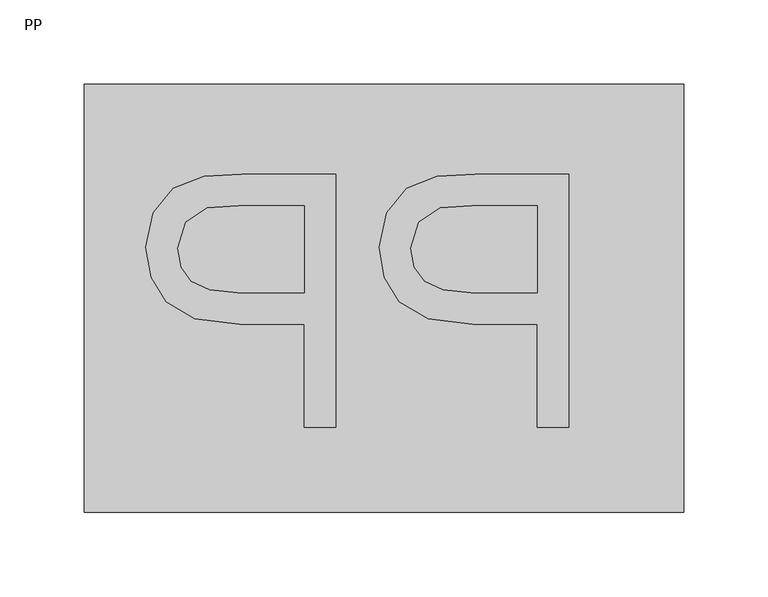
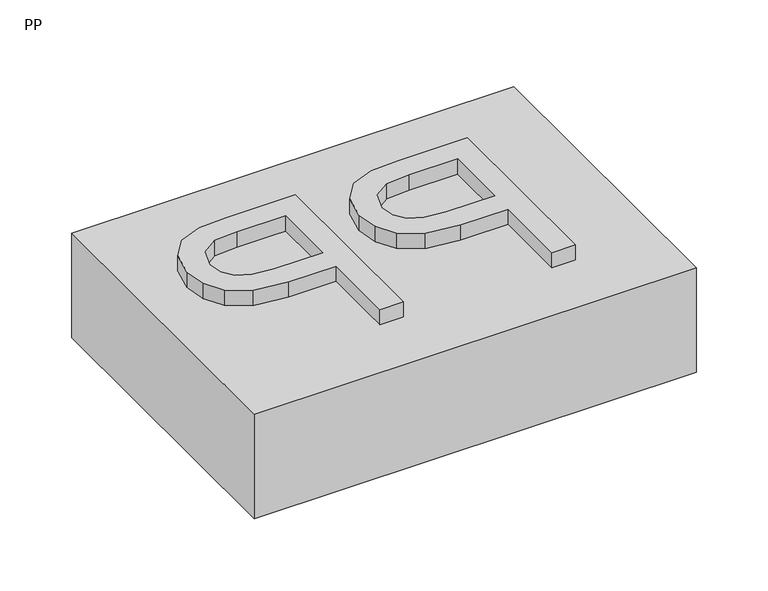
"""IFC4 building model written with IfcOpenShell, lengths in millimetres: switching device geometry, PP."""

from ifc_helpers import new_model, si_unit, origin, origin_with_axes, place, context, project, spatial, polyline, outline, extrude, source, transform, mapped, element, save


def pp_df9bd1a5(model_context):
    return source(origin(), model_context, "Body", "SweptSolid", [
        extrude(outline(polyline([(204.919389, -312.4369702), (186.1624659, -312.4369702), (186.1624659, -251.4769702), (148.0258313, -251.4769702), (121.378728, -248.1615375), (104.4489563, -238.2152394), (95.395627, -223.4789654), (92.3778506, -205.7936048), (96.8472736, -185.3331721), (108.6619371, -170.8258644), (126.8876583, -163.8103356), (149.3080429, -162.3815856), (204.919389, -162.3815856), (204.919389, -312.4369702)]), holes=[polyline([(186.1624659, -232.7200471), (186.1624659, -181.1385086), (147.3664083, -181.1385086), (128.6094852, -182.4207202), (115.9522256, -190.9199509), (111.1347736, -206.4530279), (113.1771534, -217.5441577), (119.3042929, -225.8327394), (130.2946775, -230.9982202), (146.9267929, -232.7200471), (186.1624659, -232.7200471)])]), origin_with_axes(), (0.0, 0.0, 1.0), 101.6),
        extrude(outline(polyline([(66.5870813, -312.4369702), (47.8301583, -312.4369702), (47.8301583, -251.4769702), (9.6935236, -251.4769702), (-16.9535797, -248.1615375), (-33.8833514, -238.2152394), (-42.9366807, -223.4789654), (-45.9544571, -205.7936048), (-41.4850341, -185.3331721), (-29.6703706, -170.8258644), (-11.4446494, -163.8103356), (10.9757352, -162.3815856), (66.5870813, -162.3815856), (66.5870813, -312.4369702)]), holes=[polyline([(47.8301583, -232.7200471), (47.8301583, -181.1385086), (9.0341006, -181.1385086), (-9.7228225, -182.4207202), (-22.3800821, -190.9199509), (-27.1975341, -206.4530279), (-25.1551542, -217.5441577), (-19.0280148, -225.8327394), (-8.0376302, -230.9982202), (8.5944852, -232.7200471), (47.8301583, -232.7200471)])]), origin_with_axes(), (0.0, 0.0, 1.0), 101.6),
        extrude(outline(polyline([(273.0594706, -109.1056703), (273.0594706, -363.1056703), (-82.5405294, -363.1056703), (-82.5405294, -109.1056703), (273.0594706, -109.1056703)])), origin_with_axes(), (0.0, 0.0, 1.0), 88.9),
    ])


if __name__ == "__main__":
    model = new_model("IFC4")
    model_context = context("Model", 3, world=origin())
    ifc_project = project(units=[si_unit("LENGTHUNIT", "METRE", prefix="MILLI")], contexts=[model_context])
    site = spatial("IfcSite", under=ifc_project)
    building = spatial("IfcBuilding", under=site)
    placement = place(None, origin())
    pp_shape = pp_df9bd1a5(model_context)
    element("IfcSwitchingDevice", 1, ObjectType="PP", at=placement, inside=building, context=model_context, shape_type="MappedRepresentation", body=[
        mapped(pp_shape, transform((0.0, 0.0, 0.0), x_axis=(1.0, 0.0, 0.0), y_axis=(0.0, 1.0, 0.0), z_axis=(0.0, 0.0, 1.0))),
    ])
    save(model, "model.ifc")
